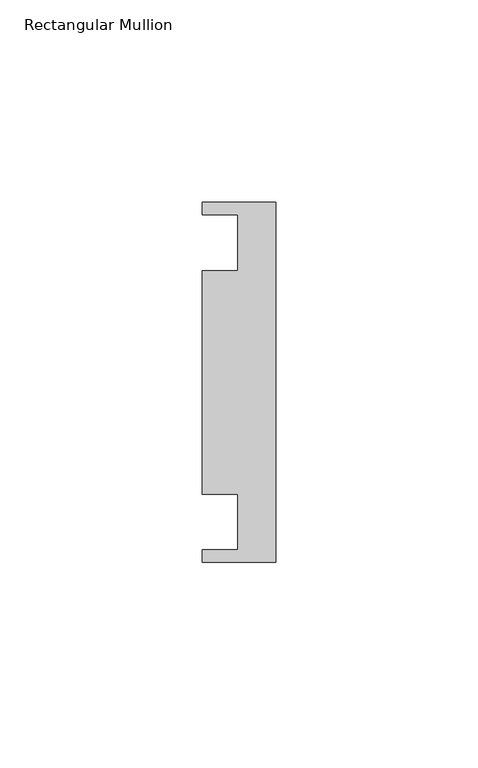
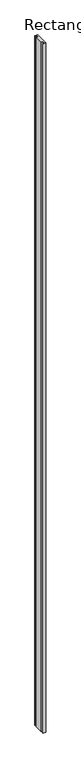
"""IFC4 building model written with IfcOpenShell, lengths in millimetres: member geometry, Rectangular Mullion."""

import ifcopenshell
import ifcopenshell.guid

model = None  # the IFC model being written
_history = None  # IfcOwnerHistory: only IFC2X3 demands one
_inside = {}  # id of a spatial element -> (the spatial element, [elements in it])
_under = {}  # id of a project, library or spatial element -> (it, [spatial elements below it])
_declared = {}  # id of a project -> (the project, [libraries it declares])
_typed = {}  # id of a type object -> (the type object, [elements of that type])
_made_of = {}  # id of a material, layer set ... -> (it, [elements and type objects made of it])


def new_model(schema):
    """Start an empty IFC model of exactly this schema.

    Asked for "IFC4X3", IfcOpenShell would pick the latest addendum, in which some entities
    have other attributes; the version numbers below select the first issue.
    IFC2X3 requires an IfcOwnerHistory on every rooted entity: one is made here for all.
    """
    global model, _history
    if schema == "IFC4X3":
        model = ifcopenshell.file(schema_version=(4, 3, 0, 0))
    else:
        model = ifcopenshell.file(schema=schema)
    _inside.clear()
    _under.clear()
    _declared.clear()
    _typed.clear()
    _made_of.clear()
    _history = None
    if model.schema == "IFC2X3":
        org = make("IfcOrganization", Name="unknown")
        user = make(
            "IfcPersonAndOrganization",
            ThePerson=make("IfcPerson", FamilyName="unknown"),
            TheOrganization=org,
        )
        app = make(
            "IfcApplication",
            ApplicationDeveloper=org,
            Version="unknown",
            ApplicationFullName="unknown",
            ApplicationIdentifier="unknown",
        )
        _history = make(
            "IfcOwnerHistory",
            OwningUser=user,
            OwningApplication=app,
            ChangeAction="ADDED",
            CreationDate=0,
        )
    return model


def make(cls, **values):
    """One entity of the class cls with the attributes given. An attribute that is None is left unset."""
    return model.create_entity(
        cls, **{name: value for name, value in values.items() if value is not None}
    )


def rooted(cls, **values):
    """An entity with a GlobalId (a new one), such as an element, a storey or a relation."""
    return make(cls, GlobalId=ifcopenshell.guid.new(), OwnerHistory=_history, **values)


def si_unit(unit_type, name, prefix=None):
    """IfcSIUnit, for example si_unit("LENGTHUNIT", "METRE", prefix="MILLI")."""
    return make("IfcSIUnit", UnitType=unit_type, Prefix=prefix, Name=name)


def assignment(units):
    """IfcUnitAssignment: the units of a project."""
    return None if units is None else make("IfcUnitAssignment", Units=units)


def point(xyz):
    """IfcCartesianPoint."""
    return None if xyz is None else make("IfcCartesianPoint", Coordinates=xyz)


def direction(xyz):
    """IfcDirection."""
    return None if xyz is None else make("IfcDirection", DirectionRatios=xyz)


def frame(location, z_axis=None, x_axis=None):
    """IfcAxis2Placement3D, a coordinate frame: its origin and axes. An axis left out is left unset."""
    return make(
        "IfcAxis2Placement3D",
        Location=point(location),
        Axis=direction(z_axis),
        RefDirection=direction(x_axis),
    )


def origin():
    """The frame at (0, 0, 0) with its axes left unset."""
    return frame((0.0, 0.0, 0.0))


def place(relative_to, where):
    """IfcLocalPlacement: puts the frame where relative to a parent placement (None: the world)."""
    return make(
        "IfcLocalPlacement", PlacementRelTo=relative_to, RelativePlacement=where
    )


def context(
    kind, dimensions, precision=None, world=None, true_north=None, identifier=None
):
    """IfcGeometricRepresentationContext, for example the 3D "Model" context."""
    return make(
        "IfcGeometricRepresentationContext",
        ContextIdentifier=identifier,
        ContextType=kind,
        CoordinateSpaceDimension=dimensions,
        Precision=precision,
        WorldCoordinateSystem=world,
        TrueNorth=true_north,
    )


def project(units=None, contexts=None):
    """IfcProject with its units and contexts."""
    return rooted(
        "IfcProject",
        Name="project",
        RepresentationContexts=contexts,
        UnitsInContext=assignment(units),
    )


def spatial(cls, under=None, at=None, **own):
    """A site, building, storey or space (cls), placed at a placement, below another one or the project."""
    s = rooted(cls, ObjectPlacement=at, **own)
    if under is not None:
        _under.setdefault(under.id(), (under, []))[1].append(s)
    return s


def polyline(points):
    """IfcPolyline through the points."""
    return make("IfcPolyline", Points=[point(p) for p in points])


def outline(outer, holes=None, kind="AREA"):
    """IfcArbitraryClosedProfileDef: a profile drawn as a closed curve; with holes, ...WithVoids."""
    if holes is None:
        return make("IfcArbitraryClosedProfileDef", ProfileType=kind, OuterCurve=outer)
    return make(
        "IfcArbitraryProfileDefWithVoids",
        ProfileType=kind,
        OuterCurve=outer,
        InnerCurves=holes,
    )


def extrude(swept, where, along, depth):
    """IfcExtrudedAreaSolid: the profile swept, set in the frame where, extruded along a direction by depth."""
    return make(
        "IfcExtrudedAreaSolid",
        SweptArea=swept,
        Position=where,
        ExtrudedDirection=direction(along),
        Depth=depth,
    )


def shape(context_of_items, identifier, shape_type, items):
    """IfcShapeRepresentation: the items that make up one representation, for example the "Body"."""
    return make(
        "IfcShapeRepresentation",
        ContextOfItems=context_of_items,
        RepresentationIdentifier=identifier,
        RepresentationType=shape_type,
        Items=items,
    )


def source(mapping_origin, context_of_items, identifier, shape_type, items):
    """IfcRepresentationMap: a shape defined once, which mapped items show again and again."""
    return make(
        "IfcRepresentationMap",
        MappingOrigin=mapping_origin,
        MappedRepresentation=shape(context_of_items, identifier, shape_type, items),
    )


def transform(
    local_origin,
    x_axis=None,
    y_axis=None,
    z_axis=None,
    scale=None,
    scale2=None,
    scale3=None,
    uniform=True,
):
    """IfcCartesianTransformationOperator3D, or its non-uniform kind. x_axis, y_axis, z_axis: its Axis1, 2, 3."""
    if uniform:
        return make(
            "IfcCartesianTransformationOperator3D",
            Axis1=direction(x_axis),
            Axis2=direction(y_axis),
            LocalOrigin=point(local_origin),
            Scale=scale,
            Axis3=direction(z_axis),
        )
    return make(
        "IfcCartesianTransformationOperator3DnonUniform",
        Axis1=direction(x_axis),
        Axis2=direction(y_axis),
        LocalOrigin=point(local_origin),
        Scale=scale,
        Axis3=direction(z_axis),
        Scale2=scale2,
        Scale3=scale3,
    )


def mapped(mapping_source, mapping_target):
    """IfcMappedItem: shows the shape of a source again, moved by a transform."""
    return make(
        "IfcMappedItem", MappingSource=mapping_source, MappingTarget=mapping_target
    )


def made_of(thing, what):
    """Note that an element or type object is made of a material, layer set ...; save() writes the relation."""
    if what is not None:
        _made_of.setdefault(what.id(), (what, []))[1].append(thing)
    return thing


def element(
    cls,
    number,
    at=None,
    inside=None,
    cuts=None,
    type_object=None,
    material=None,
    context=None,
    identifier="Body",
    shape_type=None,
    held_by="IfcProductDefinitionShape",
    body=None,
    shapes=None,
    **own,
):
    """One element of the class cls, such as IfcWall. Its Tag is "e" and its number.

    at: its placement. inside: the storey or other place that contains it. cuts: it is an
    opening in that element (IfcRelVoidsElement). A single representation is given by context,
    identifier, shape_type and body (its items); several are given by shapes. held_by: the class
    of the entity that holds the representations. save() writes the other relations.
    """
    e = rooted(cls, Tag="e%d" % number, ObjectPlacement=at, **own)
    if body is not None:
        shapes = [shape(context, identifier, shape_type, body)]
    if shapes is not None:
        e.Representation = make(held_by, Representations=shapes)
    if inside is not None:
        _inside.setdefault(inside.id(), (inside, []))[1].append(e)
    if cuts is not None:
        rooted(
            "IfcRelVoidsElement", RelatingBuildingElement=cuts, RelatedOpeningElement=e
        )
    if type_object is not None:
        _typed.setdefault(type_object.id(), (type_object, []))[1].append(e)
    return made_of(e, material)


def aggregate(whole, parts):
    """IfcRelAggregates: a whole, such as a stair, and the parts it consists of."""
    return rooted("IfcRelAggregates", RelatingObject=whole, RelatedObjects=parts)


def save(model, path):
    """Write the relations noted so far, then the file.

    IfcRelAggregates (storeys below a building ...), IfcRelContainedInSpatialStructure (elements
    in a storey), IfcRelDefinesByType, IfcRelAssociatesMaterial and IfcRelDeclares: one each for
    every whole, place, type object, material and project.
    """
    for whole, parts in _under.values():
        aggregate(whole, parts)
    for where, things in _inside.values():
        rooted(
            "IfcRelContainedInSpatialStructure",
            RelatedElements=things,
            RelatingStructure=where,
        )
    for kind, things in _typed.values():
        rooted("IfcRelDefinesByType", RelatedObjects=things, RelatingType=kind)
    for what, things in _made_of.values():
        rooted("IfcRelAssociatesMaterial", RelatedObjects=things, RelatingMaterial=what)
    for by, libraries in _declared.values():
        rooted("IfcRelDeclares", RelatingContext=by, RelatedDefinitions=libraries)
    model.write(path)


def rectangular_mullion_12a1bda7(model_context):
    return source(origin(), model_context, "Body", "SweptSolid", [
        extrude(outline(polyline([(0.0, -10.0116924), (-18.1, -10.0116924), (-18.1, -6.8886438), (-9.4, -6.8886438), (-9.4, 6.8886438), (-18.1, 6.8886438), (-18.1, 62.0879714), (-9.4, 62.0879714), (-9.4, 75.865259), (-18.1, 75.865259), (-18.1, 78.9883076), (0.0, 78.9883076), (0.0, -10.0116924)])), frame((0.0, 0.0, -4663.8), z_axis=(0.0, 0.0, 1.0), x_axis=(1.0, 0.0, 0.0)), (0.0, 0.0, 1.0), 4663.8),
    ])


if __name__ == "__main__":
    model = new_model("IFC4")
    model_context = context("Model", 3, world=origin())
    ifc_project = project(units=[si_unit("LENGTHUNIT", "METRE", prefix="MILLI")], contexts=[model_context])
    site = spatial("IfcSite", under=ifc_project)
    building = spatial("IfcBuilding", under=site)
    placement = place(None, origin())
    rectangular_mullion_shape = rectangular_mullion_12a1bda7(model_context)
    element("IfcMember", 1, ObjectType="Rectangular Mullion", at=placement, inside=building, context=model_context, shape_type="MappedRepresentation", body=[
        mapped(rectangular_mullion_shape, transform((0.0, 0.0, 0.0), x_axis=(1.0, 0.0, 0.0), y_axis=(0.0, 1.0, 0.0), z_axis=(0.0, 0.0, 1.0))),
    ])
    save(model, "model.ifc")
